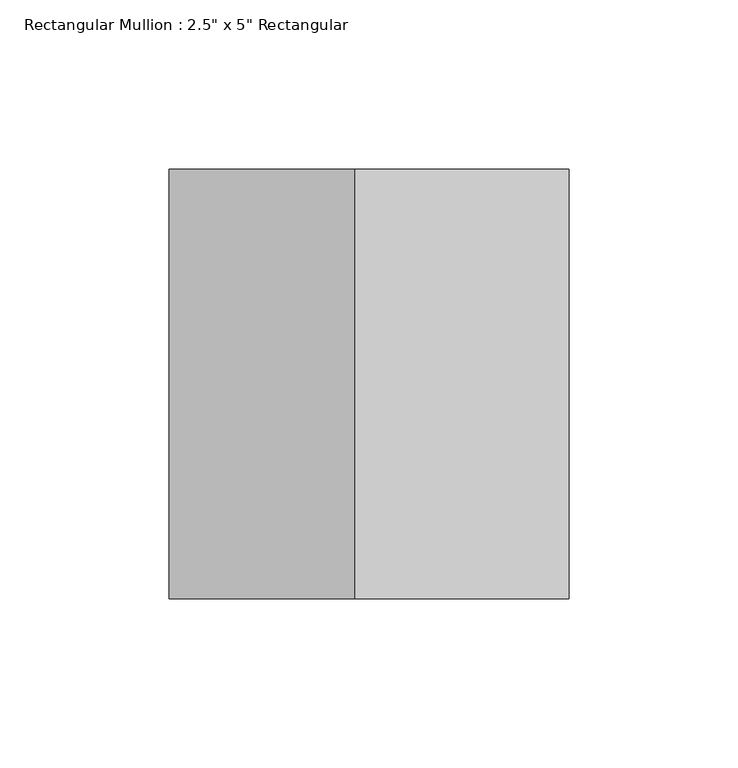
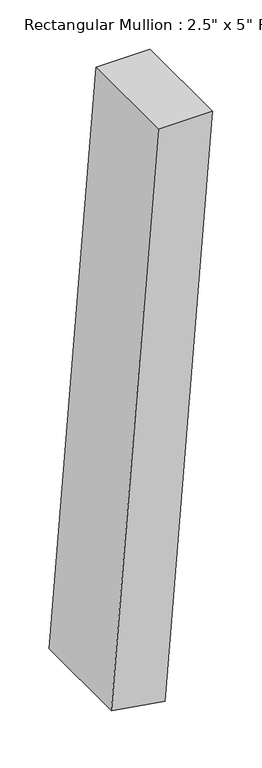
"""IFC4 building model written with IfcOpenShell, lengths in millimetres: member geometry."""

from ifc_helpers import new_model, si_unit, point, frame, frame_2d, origin, place, context, project, spatial, polyline, circle_curve, trimmed, segment, composite_curve, outline, extrude, source, transform, mapped, element, save


def member_e5f89d69(model_context):
    return source(origin(), model_context, "Body", "SweptSolid", [
        extrude(outline(composite_curve([segment(trimmed(circle_curve(frame_2d((0.0, -4572.0)), 4572.0), [point((-711.2, -55.6542914))], [point((0.0, 0.0))], False, "CARTESIAN"), True, "CONTINUOUS"), segment(polyline([(0.0, 0.0), (0.0, -63.5)]), True, "CONTINUOUS"), segment(trimmed(circle_curve(frame_2d((0.0, -4572.0)), 4508.5), [point((0.0, -63.5))], [point((-701.3222222, -118.3813151))], True, "CARTESIAN"), True, "CONTINUOUS"), segment(polyline([(-701.3222222, -118.3813151), (-711.2, -55.6542914)]), True, "CONTINUOUS")], self_intersect=False)), frame((0.0, -63.5, 0.0), z_axis=(0.0, 1.0, 0.0), x_axis=(0.0, 0.0, 1.0)), (0.0, 0.0, 1.0), 127.0),
    ])


if __name__ == "__main__":
    model = new_model("IFC4")
    model_context = context("Model", 3, world=origin())
    ifc_project = project(units=[si_unit("LENGTHUNIT", "METRE", prefix="MILLI")], contexts=[model_context])
    site = spatial("IfcSite", under=ifc_project)
    building = spatial("IfcBuilding", under=site)
    placement = place(None, origin())
    member_shape = member_e5f89d69(model_context)
    element("IfcMember", 1, ObjectType="Rectangular Mullion : 2.5\" x 5\" Rectangular", at=placement, inside=building, context=model_context, shape_type="MappedRepresentation", body=[
        mapped(member_shape, transform((0.0, 0.0, 0.0), x_axis=(1.0, 0.0, 0.0), y_axis=(0.0, 1.0, 0.0), z_axis=(0.0, 0.0, 1.0))),
    ])
    save(model, "model.ifc")
